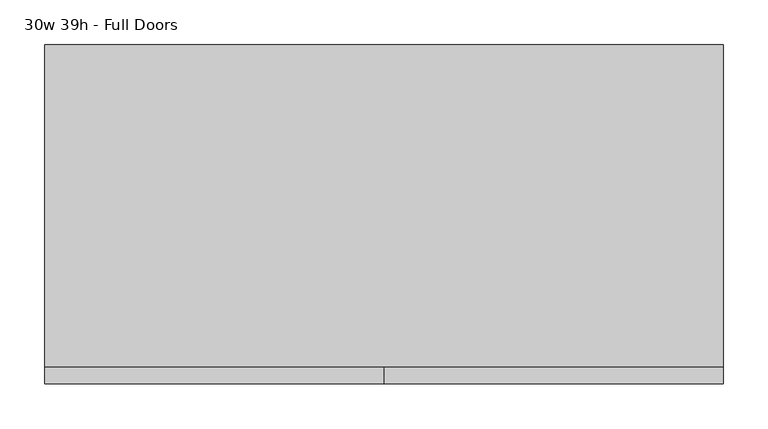
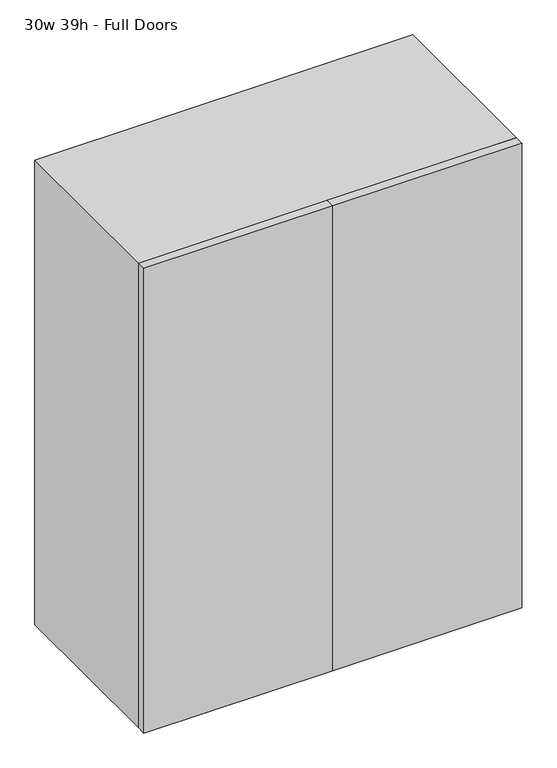
"""IFC4 building model written with IfcOpenShell, lengths in millimetres: furniture geometry, 30w 39h - Full Doors."""

from ifc_helpers import new_model, si_unit, frame, origin, place, context, project, spatial, polyline, outline, extrude, source, transform, mapped, element, save


def furniture_30w_39h_full_doors_9855dbcd(model_context):
    return source(origin(), model_context, "Body", "SweptSolid", [
        extrude(outline(polyline([(361.9569453, 161.925), (361.9569453, -180.975), (-361.9291641, -180.975), (-361.9291641, 161.925), (361.9569453, 161.925)])), frame((0.0, 0.0, 1393.825), z_axis=(0.0, 0.0, 1.0), x_axis=(1.0, 0.0, 0.0)), (0.0, 0.0, 1.0), 19.05),
        extrude(outline(polyline([(361.9569453, 161.925), (361.9569453, -180.975), (-361.9291641, -180.975), (-361.9291641, 161.925), (361.9569453, 161.925)])), frame((0.0, 0.0, 1050.925), z_axis=(0.0, 0.0, 1.0), x_axis=(1.0, 0.0, 0.0)), (0.0, 0.0, 1.0), 19.05),
        extrude(outline(polyline([(0.0138906, -200.025), (0.0138906, -180.975), (381.0138906, -180.975), (381.0138906, -200.025), (0.0138906, -200.025)])), frame((0.0, 0.0, 736.6), z_axis=(0.0, 0.0, 1.0), x_axis=(1.0, 0.0, 0.0)), (0.0, 0.0, 1.0), 990.6),
        extrude(outline(polyline([(0.0138906, -200.025), (-380.9861094, -200.025), (-380.9861094, -180.975), (0.0138906, -180.975), (0.0138906, -200.025)])), frame((0.0, 0.0, 736.6), z_axis=(0.0, 0.0, 1.0), x_axis=(1.0, 0.0, 0.0)), (0.0, 0.0, 1.0), 990.6),
        extrude(outline(polyline([(736.6, -380.9861094), (736.6, 381.0138906), (1727.2, 381.0138906), (1727.2, -380.9861094), (736.6, -380.9861094)]), holes=[polyline([(755.65, -361.9361094), (1708.15, -361.9361094), (1708.15, 361.9569453), (755.65, 361.9569453), (755.65, -361.9361094)])]), frame((0.0, -180.975, 0.0), z_axis=(0.0, 1.0, 0.0), x_axis=(0.0, 0.0, 1.0)), (0.0, 0.0, 1.0), 361.95),
        extrude(outline(polyline([(-361.9291641, 161.925), (-361.9291641, 180.975), (361.9569453, 180.975), (361.9569453, 161.925), (-361.9291641, 161.925)])), frame((0.0, 0.0, 755.65), z_axis=(0.0, 0.0, 1.0), x_axis=(1.0, 0.0, 0.0)), (0.0, 0.0, 1.0), 952.5),
    ])


if __name__ == "__main__":
    model = new_model("IFC4")
    model_context = context("Model", 3, world=origin())
    ifc_project = project(units=[si_unit("LENGTHUNIT", "METRE", prefix="MILLI")], contexts=[model_context])
    site = spatial("IfcSite", under=ifc_project)
    building = spatial("IfcBuilding", under=site)
    placement = place(None, origin())
    furniture_30w_39h_full_doors_shape = furniture_30w_39h_full_doors_9855dbcd(model_context)
    element("IfcFurniture", 1, ObjectType="30w 39h - Full Doors", at=placement, inside=building, context=model_context, shape_type="MappedRepresentation", body=[
        mapped(furniture_30w_39h_full_doors_shape, transform((0.0, 0.0, 0.0), x_axis=(1.0, 0.0, 0.0), y_axis=(0.0, 1.0, 0.0), z_axis=(0.0, 0.0, 1.0))),
    ])
    save(model, "model.ifc")
